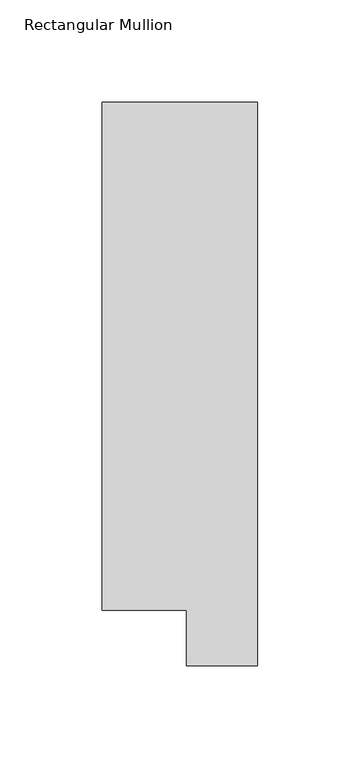
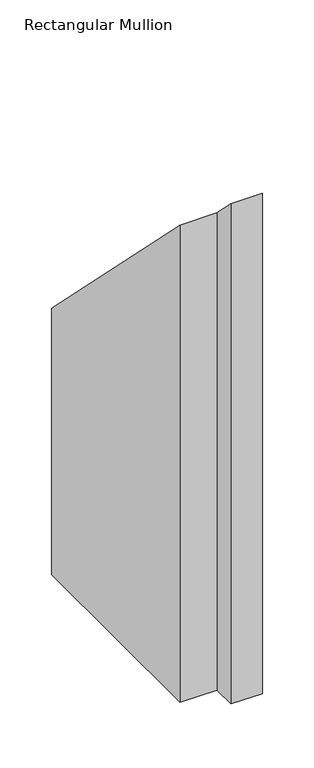
"""IFC4 building model written with IfcOpenShell, lengths in millimetres: member geometry, Rectangular Mullion."""

from ifc_helpers import new_model, si_unit, origin, place, context, project, spatial, faceted_brep, source, transform, mapped, element, save


def rectangular_mullion_6ad0e29e(model_context):
    return source(origin(), model_context, "Body", "Brep", [
        faceted_brep([(0.0, 295.1821312, -609.56825), (0.0, 19.5667313, -609.56825), (-34.9123, 19.5667313, -609.56825), (-34.9123, 46.7447302, -609.56825), (-76.2, 46.7447302, -609.56825), (-76.2, 295.1821312, -609.56825), (-76.2, 295.1821312, -295.1821312), (0.0, 295.1821312, -295.1821312), (-76.2, 46.7447302, -46.7447302), (-34.9123, 46.7447302, -46.7447302), (-34.9123, 19.5667313, -19.5667313), (0.0, 19.5667313, -19.5667313)], [[[0, 1, 2, 3, 4, 5]], [[6, 7, 0, 5]], [[8, 6, 5, 4]], [[9, 8, 4, 3]], [[10, 9, 3, 2]], [[11, 10, 2, 1]], [[7, 11, 1, 0]], [[7, 6, 8, 9, 10, 11]]]),
    ])


if __name__ == "__main__":
    model = new_model("IFC4")
    model_context = context("Model", 3, world=origin())
    ifc_project = project(units=[si_unit("LENGTHUNIT", "METRE", prefix="MILLI")], contexts=[model_context])
    site = spatial("IfcSite", under=ifc_project)
    building = spatial("IfcBuilding", under=site)
    placement = place(None, origin())
    rectangular_mullion_shape = rectangular_mullion_6ad0e29e(model_context)
    element("IfcMember", 1, ObjectType="Rectangular Mullion", at=placement, inside=building, context=model_context, shape_type="MappedRepresentation", body=[
        mapped(rectangular_mullion_shape, transform((0.0, 0.0, 0.0), x_axis=(1.0, 0.0, 0.0), y_axis=(0.0, 1.0, 0.0), z_axis=(0.0, 0.0, 1.0))),
    ])
    save(model, "model.ifc")
